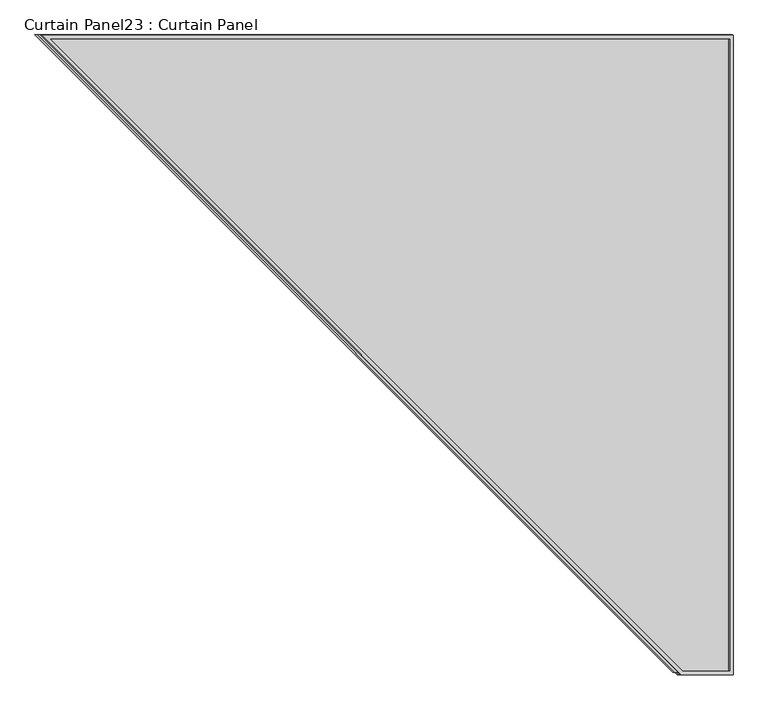
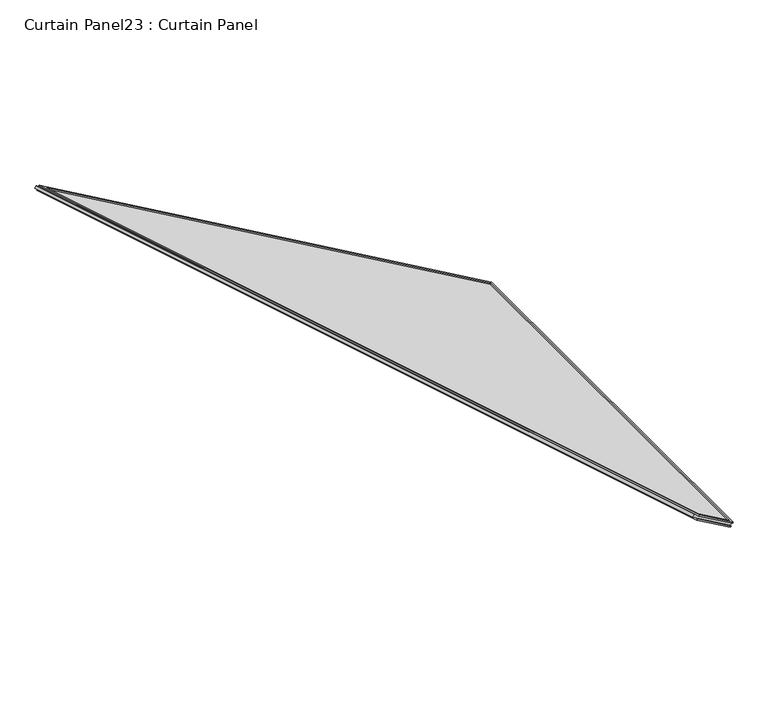
"""IFC4 building model written with IfcOpenShell, lengths in millimetres: plate geometry, Curtain Panel23 : Curtain Panel."""

from ifc_helpers import new_model, si_unit, frame, origin, place, context, project, spatial, polyline, outline, extrude, source, transform, mapped, element, save


def curtain_panel23_curtain_panel_ab36a2db(model_context):
    return source(origin(), model_context, "Body", "SweptSolid", [
        extrude(outline(polyline([(2257.6646695, -1808.8596748), (2088.6912403, -1808.8596748), (0.0, 0.0), (2257.6646695, 0.0), (2257.6646695, -1808.8596748)]), holes=[polyline([(2246.5394695, -11.1252), (29.8402981, -11.1252), (2092.8389896, -1797.7344748), (2246.5394695, -1797.7344748), (2246.5394695, -11.1252)])]), frame((13593.0424375, 12556.0761076, 2038.9497508), z_axis=(0.500000000000002, 0.0, 0.8660254037844376), x_axis=(0.8660254037844376, 0.0, -0.500000000000002)), (0.0, 0.0, 1.0), 4.8574664),
        extrude(outline(polyline([(2257.6646696, -1808.8596748), (2088.6912404, -1808.8596748), (0.0, 0.0), (2257.6646696, 0.0), (2257.6646696, -1808.8596748)]), holes=[polyline([(2246.5394696, -11.1252), (29.8402982, -11.1252), (2092.8389897, -1797.7344748), (2246.5394696, -1797.7344748), (2246.5394696, -11.1252)])]), frame((13601.7635375, 12556.0761076, 2054.0551392), z_axis=(0.5000000000000026, 0.0, 0.8660254037844373), x_axis=(0.8660254037844373, 0.0, -0.5000000000000026)), (0.0, 0.0, 1.0), 5.0367999),
        extrude(outline(polyline([(12.7, 0.0), (1816.1, 0.0), (1816.1, -186.8499405), (12.7, -2269.2368914), (12.7, 0.0)])), frame((15550.6671382, 12569.9279755, 914.323522), z_axis=(0.49999999999999867, 0.0, 0.8660254037844395), x_axis=(0.0, -1.0, 0.0)), (0.0, 0.0, 1.0), 12.5827128),
    ])


if __name__ == "__main__":
    model = new_model("IFC4")
    model_context = context("Model", 3, world=origin())
    ifc_project = project(units=[si_unit("LENGTHUNIT", "METRE", prefix="MILLI")], contexts=[model_context])
    site = spatial("IfcSite", under=ifc_project)
    building = spatial("IfcBuilding", under=site)
    placement = place(None, origin())
    curtain_panel23_curtain_panel_shape = curtain_panel23_curtain_panel_ab36a2db(model_context)
    element("IfcPlate", 1, ObjectType="Curtain Panel23 : Curtain Panel", at=placement, inside=building, context=model_context, shape_type="MappedRepresentation", body=[
        mapped(curtain_panel23_curtain_panel_shape, transform((0.0, 0.0, 0.0), x_axis=(1.0, 0.0, 0.0), y_axis=(0.0, 1.0, 0.0), z_axis=(0.0, 0.0, 1.0))),
    ])
    save(model, "model.ifc")
